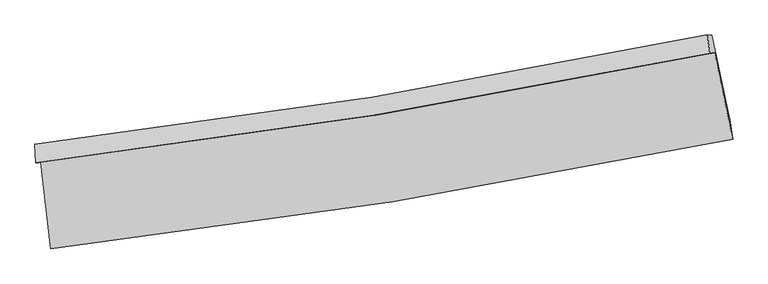
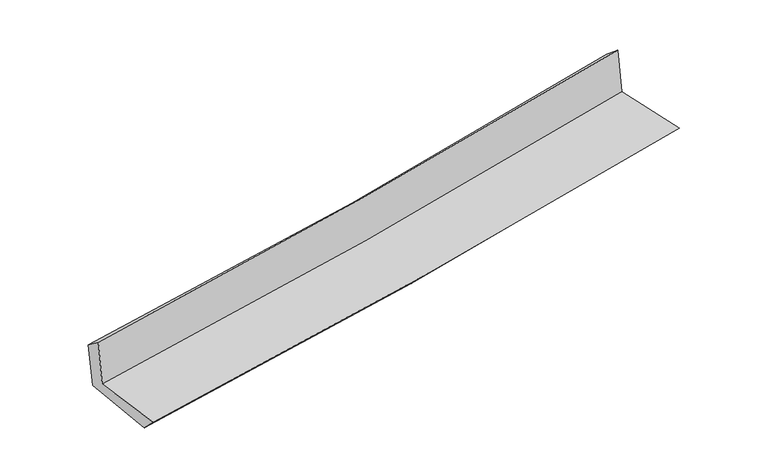
"""IFC4 building model written with IfcOpenShell, lengths in millimetres: proxy geometry."""

from ifc_helpers import new_model, si_unit, frame, origin, place, context, project, spatial, source, transform, mapped, element, save
from ifc_brep_helpers import plane_surface, spline_curve, spline_surface, advanced_brep


def generic_models_f2c9cf39(model_context):
    return source(origin(), model_context, "Body", "AdvancedBrep", [
        advanced_brep(
        [(-2582.4625931, -1893.7164941, 1644.7481744), (-2504.5209978, -2549.6033541, 1653.2812649), (2664.9056337, -1720.3910253, 2119.0533544), (2527.8699993, -1064.2109305, 2110.4024537), (-2618.3817017, -1897.5768402, 2054.7980336), (2492.1466172, -1068.0502413, 2518.2179144), (-2625.4119522, -1757.4341709, 1944.5128669), (2473.3649102, -929.7643049, 2403.6645337), (-2590.2155232, -1761.3042722, 1553.0622043), (2508.3266684, -933.4338519, 2021.9573891), (-2508.5959378, -2419.209638, 1522.8718962), (2648.8555908, -1591.6819463, 1996.4581584)],
        [
            (0, 1),
            (1, 2, spline_curve(3, [(-2504.5209978, -2549.6033541, 1653.2812649), (-1637.859907987, -2449.660863203, 1739.486460821), (-774.058009564, -2330.653335769, 1821.378070202), (949.092610673, -2054.305301547, 1976.648120626), (1808.432922693, -1896.908719615, 2050.013874586), (2664.9056337, -1720.3910253, 2119.0533544)], [4, 2, 4], [0.0, 8.57099029623686, 17.154576162477458])),
            (2, 3),
            (3, 0, spline_curve(3, [(2527.8699993, -1064.2109305, 2110.4024537), (1680.938810353, -1240.450953824, 2039.634037978), (831.297494097, -1397.733274164, 1965.414282763), (-872.154650989, -1674.179532631, 1810.186068347), (-1725.957532247, -1793.399066375, 1729.187730321), (-2582.4625931, -1893.7164941, 1644.7481744)], [4, 2, 4], [0.0, 8.583585866240599, 17.154576162477458])),
            (4, 0),
            (3, 5),
            (5, 4, spline_curve(3, [(2492.1466172, -1068.0502413, 2518.2179144), (1644.847220592, -1244.329836898, 2451.652931845), (795.005601003, -1401.633685044, 2379.719823386), (-908.511293953, -1678.086901843, 2225.23078679), (-1762.17911431, -1797.29192044, 2142.690601863), (-2618.3817017, -1897.5768402, 2054.7980336)], [4, 2, 4], [0.0, 8.53594038623838, 17.059355117539763])),
            (6, 4),
            (5, 7),
            (7, 6, spline_curve(3, [(2473.3649102, -929.7643049, 2403.6645337), (1628.715639733, -1105.615540695, 2328.536775174), (781.178836887, -1262.550410727, 2252.681629539), (-918.421918823, -1538.384890861, 2099.628940614), (-1770.477403538, -1657.33997625, 2022.433530825), (-2625.4119522, -1757.4341709, 1944.5128669)], [4, 2, 4], [0.0, 8.525831781887405, 17.039152742222804])),
            (8, 6),
            (7, 9),
            (9, 8, spline_curve(3, [(2508.3266684, -933.4338519, 2021.9573891), (1663.467453218, -1109.293961257, 1948.055033614), (815.845339902, -1266.25000239, 1871.998986783), (-883.676826341, -1542.151369887, 1715.694275933), (-1735.568777166, -1661.152135787, 1635.451927768), (-2590.2155232, -1761.3042722, 1553.0622043)], [4, 2, 4], [0.0, 8.51629224098263, 17.02008765875347])),
            (10, 8),
            (9, 11),
            (11, 10, spline_curve(3, [(2648.8555908, -1591.6819463, 1996.4581584), (1794.643178119, -1767.833118366, 1921.811627143), (937.431576698, -1924.905981228, 1844.992268451), (-781.727728171, -2200.692594905, 1687.123809031), (-1643.666636398, -2319.462296207, 1606.081080468), (-2508.5959378, -2419.209638, 1522.8718962)], [4, 2, 4], [0.0, 8.56471457213087, 17.11686126603038])),
            (1, 10),
            (11, 2),
        ],
        [
            spline_surface(3, 3, [[(-2582.4625931, -1893.7164941, 1644.7481744), (-1725.957532302, -1793.399066474, 1729.187730282), (-872.154651117, -1674.179532502, 1810.18606821), (831.297494225, -1397.733274294, 1965.4142829), (1680.93881047, -1240.450953714, 2039.634038038), (2527.8699993, -1064.2109305, 2110.4024537)], [(-2556.482061324, -2112.345447453, 1647.592537913), (-1696.59165755, -2012.152998731, 1732.620640476), (-839.455770592, -1893.004133544, 1813.916735512), (870.562533023, -1616.590616713, 1969.158895511), (1723.436847831, -1459.270208981, 2043.093983558), (2573.548544084, -1282.937628759, 2113.286087263)], [(-2530.501529576, -2330.974400747, 1650.436901387), (-1667.225782827, -2230.906930927, 1736.053550631), (-806.756890052, -2111.828734655, 1817.647402804), (909.827571837, -1835.4479592, 1972.903508111), (1765.934885242, -1678.089464273, 2046.553929088), (2619.227088916, -1501.664327041, 2116.169720837)], [(-2504.5209978, -2549.6033541, 1653.2812649), (-1637.859908075, -2449.660863184, 1739.486460825), (-774.058009527, -2330.653335698, 1821.378070105), (949.092610636, -2054.305301618, 1976.648120722), (1808.432922604, -1896.908719541, 2050.013874608), (2664.9056337, -1720.3910253, 2119.0533544)]], [4, 4], [4, 2, 4], [0.0, 2.1831853479441707], [0.0, 8.57099029623686, 17.154576162477458]),
            spline_surface(3, 3, [[(-2618.3817017, -1897.5768402, 2054.7980336), (-1762.179114172, -1797.291920384, 2142.690601728), (-908.511294018, -1678.086901982, 2225.230786859), (795.005601067, -1401.633684904, 2379.719823317), (1644.847220545, -1244.329837034, 2451.652931743), (2492.1466172, -1068.0502413, 2518.2179144)], [(-2606.40866551, -1896.290058146, 1918.114747215), (-1750.105253559, -1795.994302393, 2004.856311261), (-896.392413043, -1676.784445504, 2086.882547309), (807.102898794, -1400.333548049, 2241.617976511), (1656.877750527, -1243.036875931, 2314.313300518), (2504.054411241, -1066.770471037, 2382.27942751)], [(-2594.43562929, -1895.003276154, 1781.431460785), (-1738.031392915, -1794.696684465, 1867.022020749), (-884.273532091, -1675.481988981, 1948.53430776), (819.200196498, -1399.033411149, 2103.516129706), (1668.908280487, -1241.743914817, 2176.973669263), (2515.962205259, -1065.490700763, 2246.34094059)], [(-2582.4625931, -1893.7164941, 1644.7481744), (-1725.957532302, -1793.399066474, 1729.187730282), (-872.154651117, -1674.179532502, 1810.18606821), (831.297494225, -1397.733274294, 1965.4142829), (1680.93881047, -1240.450953714, 2039.634038038), (2527.8699993, -1064.2109305, 2110.4024537)]], [4, 4], [4, 2, 4], [0.0, 1.3657506373089903], [0.0, 8.523414731301383, 17.059355117539763]),
            spline_surface(3, 3, [[(-2625.4119522, -1757.4341709, 1944.5128669), (-1770.477403456, -1657.339976141, 2022.43353087), (-918.421918761, -1538.384890923, 2099.628940692), (781.178836826, -1262.550410665, 2252.681629461), (1628.715639602, -1105.615540576, 2328.536775246), (2473.3649102, -929.7643049, 2403.6645337)], [(-2623.068535374, -1804.148394, 1981.274589114), (-1767.711307035, -1703.990624222, 2062.519221136), (-915.118377201, -1584.95222795, 2141.49622274), (785.787758219, -1308.911502086, 2295.027694072), (1634.092833245, -1151.853639394, 2369.575494083), (2479.625479195, -975.859617032, 2441.848993938)], [(-2620.725118526, -1850.8626171, 2018.036311386), (-1764.945210593, -1750.641272303, 2102.604911461), (-911.814835579, -1631.519564954, 2183.363504811), (790.396679674, -1355.272593483, 2337.373758706), (1639.470026902, -1198.091738216, 2410.614212905), (2485.886048205, -1021.954929168, 2480.033454162)], [(-2618.3817017, -1897.5768402, 2054.7980336), (-1762.179114172, -1797.291920384, 2142.690601728), (-908.511294018, -1678.086901982, 2225.230786859), (795.005601067, -1401.633684904, 2379.719823317), (1644.847220545, -1244.329837034, 2451.652931743), (2492.1466172, -1068.0502413, 2518.2179144)]], [4, 4], [4, 2, 4], [0.0, 0.6184024503930194], [0.0, 8.513320960335399, 17.039152742222804]),
            spline_surface(3, 3, [[(-2590.2155232, -1761.3042722, 1553.0622043), (-1735.568777048, -1661.152135752, 1635.451927709), (-883.676826469, -1542.151369997, 1715.694275875), (815.84534003, -1266.250002279, 1871.998986841), (1663.467453282, -1109.29396122, 1948.055033591), (2508.3266684, -933.4338519, 2021.9573891)], [(-2601.947666194, -1760.014238457, 1683.545758519), (-1747.204985844, -1659.881415905, 1764.445795449), (-895.258523885, -1540.895876961, 1843.672497506), (804.289838977, -1265.016805063, 1998.893201073), (1651.883515375, -1108.067820993, 2074.882280816), (2496.672748986, -932.210669554, 2149.193103974)], [(-2613.679809206, -1758.724204643, 1814.029312681), (-1758.841194659, -1658.610695988, 1893.43966313), (-906.840221345, -1539.640383959, 1971.650719061), (792.734337879, -1263.783607881, 2125.78741523), (1640.29957751, -1106.841680804, 2201.70952802), (2485.018829614, -930.987487246, 2276.428818826)], [(-2625.4119522, -1757.4341709, 1944.5128669), (-1770.477403456, -1657.339976141, 2022.43353087), (-918.421918761, -1538.384890923, 2099.628940692), (781.178836826, -1262.550410665, 2252.681629461), (1628.715639602, -1105.615540576, 2328.536775246), (2473.3649102, -929.7643049, 2403.6645337)]], [4, 4], [4, 2, 4], [0.0, 1.2595028830351065], [0.0, 8.503795417770842, 17.02008765875347]),
            spline_surface(3, 3, [[(-2508.5959378, -2419.209638, 1522.8718962), (-1643.666636496, -2319.462296081, 1606.081080334), (-781.72772829, -2200.69259501, 1687.123808971), (937.431576817, -1924.905981123, 1844.992268512), (1794.64317814, -1767.833118294, 1921.811627281), (2648.8555908, -1591.6819463, 1996.4581584)], [(-2535.802466263, -2199.907849403, 1532.935332202), (-1674.300683343, -2100.025575975, 1615.871362761), (-815.710761015, -1981.178853351, 1696.64729791), (896.902831223, -1705.353988187, 1853.994507925), (1750.917936541, -1548.320065962, 1930.559429365), (2602.012616687, -1372.26591486, 2004.957901947)], [(-2563.008994737, -1980.606060797, 1542.998768298), (-1704.934730201, -1880.588855858, 1625.661645282), (-849.693793744, -1761.665111656, 1706.170786937), (856.374085625, -1485.801995215, 1862.996747427), (1707.192694882, -1328.807013552, 1939.307231507), (2555.169642513, -1152.84988334, 2013.457645553)], [(-2590.2155232, -1761.3042722, 1553.0622043), (-1735.568777048, -1661.152135752, 1635.451927709), (-883.676826469, -1542.151369997, 1715.694275875), (815.84534003, -1266.250002279, 1871.998986841), (1663.467453282, -1109.29396122, 1948.055033591), (2508.3266684, -933.4338519, 2021.9573891)]], [4, 4], [4, 2, 4], [0.0, 2.193553963440971], [0.0, 8.55214669389951, 17.11686126603038]),
            spline_surface(3, 3, [[(-2504.5209978, -2549.6033541, 1653.2812649), (-1637.859908075, -2449.660863184, 1739.486460825), (-774.058009527, -2330.653335698, 1821.378070105), (949.092610636, -2054.305301618, 1976.648120722), (1808.432922604, -1896.908719541, 2050.013874608), (2664.9056337, -1720.3910253, 2119.0533544)], [(-2505.879311135, -2506.138782041, 1609.811475338), (-1639.795484217, -2406.26134079, 1695.018000666), (-776.614582446, -2287.333088802, 1776.626649736), (945.205599365, -2011.172194786, 1932.762836661), (1803.836341124, -1853.883519117, 2007.279792166), (2659.555619408, -1677.487998959, 2078.188289067)], [(-2507.237624465, -2462.674210059, 1566.341685762), (-1641.731060354, -2362.861818475, 1650.549540493), (-779.171155371, -2244.012841906, 1731.87522934), (941.318588088, -1968.039087955, 1888.877552573), (1799.23975962, -1810.858318717, 1964.545709723), (2654.205605092, -1634.584972641, 2037.323223733)], [(-2508.5959378, -2419.209638, 1522.8718962), (-1643.666636496, -2319.462296081, 1606.081080334), (-781.72772829, -2200.69259501, 1687.123808971), (937.431576817, -1924.905981123, 1844.992268512), (1794.64317814, -1767.833118294, 1921.811627281), (2648.8555908, -1591.6819463, 1996.4581584)]], [4, 4], [4, 2, 4], [0.0, 0.6101552384530208], [0.0, 8.609269571787816, 17.23119096720681]),
            plane_surface(frame((2552.5782366, -1217.92205, 2194.9589673), z_axis=(0.9749109659037752, 0.20475018845594084, 0.0873267936421854), x_axis=(-0.09120716575184008, 0.009573002096375516, 0.9957859260636189))),
            plane_surface(frame((-2571.5981176, -2046.4741283, 1728.8790734), z_axis=(-0.9890478022073197, -0.11867410044592226, -0.08775478808715806), x_axis=(-0.11799378334387255, 0.992930305544915, -0.012918027042898633))),
        ],
        [
            (0, [[1, 2, 3, 4]]),
            (1, [[5, -4, 6, 7]]),
            (2, [[8, -7, 9, 10]]),
            (3, [[11, -10, 12, 13]]),
            (4, [[14, -13, 15, 16]]),
            (5, [[17, -16, 18, -2]]),
            (6, [[-12, -9, -6, -3, -18, -15]]),
            (7, [[-1, -5, -8, -11, -14, -17]]),
        ],
    ),
    ])


if __name__ == "__main__":
    model = new_model("IFC4")
    model_context = context("Model", 3, world=origin())
    ifc_project = project(units=[si_unit("LENGTHUNIT", "METRE", prefix="MILLI")], contexts=[model_context])
    site = spatial("IfcSite", under=ifc_project)
    building = spatial("IfcBuilding", under=site)
    placement = place(None, origin())
    generic_models_shape = generic_models_f2c9cf39(model_context)
    element("IfcBuildingElementProxy", 1, Name="Generic Models", at=placement, inside=building, context=model_context, shape_type="MappedRepresentation", body=[
        mapped(generic_models_shape, transform((0.0, 0.0, 0.0), x_axis=(1.0, 0.0, 0.0), y_axis=(0.0, 1.0, 0.0), z_axis=(0.0, 0.0, 1.0))),
    ])
    save(model, "model.ifc")
